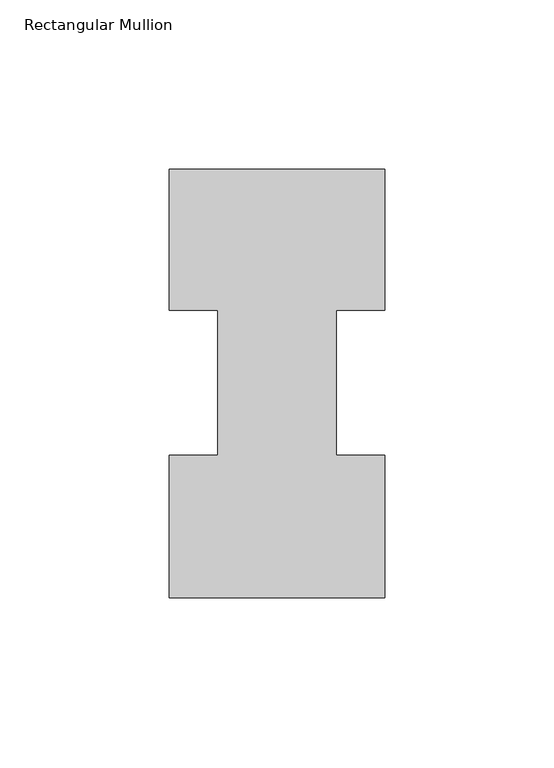
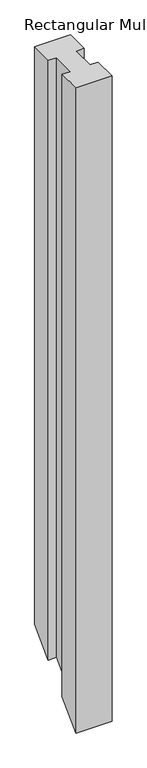
"""IFC4 building model written with IfcOpenShell, lengths in millimetres: member geometry, Rectangular Mullion."""

from ifc_helpers import new_model, si_unit, origin, place, context, project, spatial, faceted_brep, source, transform, mapped, element, save


def rectangular_mullion_cadd2a7f(model_context):
    return source(origin(), model_context, "Body", "Brep", [
        faceted_brep([(-63.5, 0.04445, 0.0), (0.0, 0.04445, 0.0), (0.0, 42.08145, 0.0), (-14.2748, 42.08145, 0.0), (-14.2748, 84.93125, 0.0), (0.0, 84.93125, 0.0), (0.0, 126.53645, 0.0), (-63.5, 126.53645, 0.0), (-63.5, 84.93125, 0.0), (-49.2125, 84.93125, 0.0), (-49.2125, 42.08145, 0.0), (-63.5, 42.08145, 0.0), (-63.5, 0.04445, -1206.246), (0.0, 0.04445, -1206.246), (0.0, 42.08145, -1164.209), (-14.2748, 42.08145, -1164.209), (-14.2748, 84.93125, -1121.3592), (0.0, 84.93125, -1121.3592), (0.0, 126.53645, -1079.754), (-63.5, 126.53645, -1079.754), (-63.5, 84.93125, -1121.3592), (-49.2125, 84.93125, -1121.3592), (-49.2125, 42.08145, -1164.209), (-63.5, 42.08145, -1164.209)], [[[0, 1, 2, 3, 4, 5, 6, 7, 8, 9, 10, 11]], [[1, 0, 12, 13]], [[2, 1, 13, 14]], [[3, 2, 14, 15]], [[4, 3, 15, 16]], [[5, 4, 16, 17]], [[6, 5, 17, 18]], [[7, 6, 18, 19]], [[8, 7, 19, 20]], [[9, 8, 20, 21]], [[10, 9, 21, 22]], [[11, 10, 22, 23]], [[0, 11, 23, 12]], [[12, 23, 22, 21, 20, 19, 18, 17, 16, 15, 14, 13]]]),
    ])


if __name__ == "__main__":
    model = new_model("IFC4")
    model_context = context("Model", 3, world=origin())
    ifc_project = project(units=[si_unit("LENGTHUNIT", "METRE", prefix="MILLI")], contexts=[model_context])
    site = spatial("IfcSite", under=ifc_project)
    building = spatial("IfcBuilding", under=site)
    placement = place(None, origin())
    rectangular_mullion_shape = rectangular_mullion_cadd2a7f(model_context)
    element("IfcMember", 1, ObjectType="Rectangular Mullion", at=placement, inside=building, context=model_context, shape_type="MappedRepresentation", body=[
        mapped(rectangular_mullion_shape, transform((0.0, 0.0, 0.0), x_axis=(1.0, 0.0, 0.0), y_axis=(0.0, 1.0, 0.0), z_axis=(0.0, 0.0, 1.0))),
    ])
    save(model, "model.ifc")
